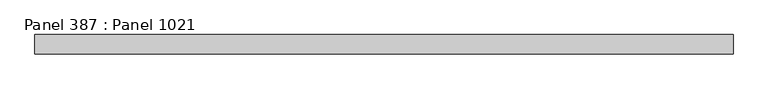
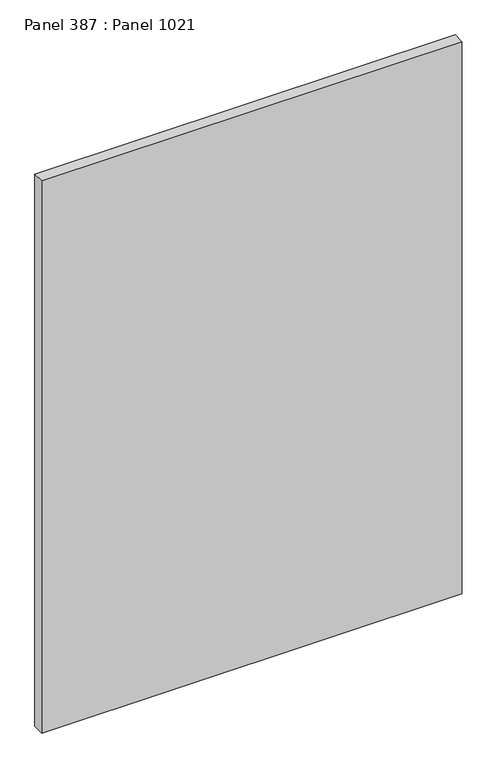
"""IFC4 building model written with IfcOpenShell, lengths in millimetres: proxy geometry, Panel 387 : Panel 1021."""

from ifc_helpers import new_model, si_unit, frame, origin, place, context, project, spatial, polyline, outline, extrude, source, transform, mapped, element, save


def panel_387_panel_1021_ce3f0c7e(model_context):
    return source(origin(), model_context, "Body", "SweptSolid", [
        extrude(outline(polyline([(31867.1822221, 344155.7855015), (31867.1822225, 344105.7854594), (30067.9687558, 344105.7855241), (30067.9687554, 344155.7855662), (31867.1822221, 344155.7855015)])), frame((0.0, 0.0, 34575.0), z_axis=(0.0, 0.0, 1.0), x_axis=(1.0, 0.0, 0.0)), (0.0, 0.0, 1.0), 2500.0),
    ])


if __name__ == "__main__":
    model = new_model("IFC4")
    model_context = context("Model", 3, world=origin())
    ifc_project = project(units=[si_unit("LENGTHUNIT", "METRE", prefix="MILLI")], contexts=[model_context])
    site = spatial("IfcSite", under=ifc_project)
    building = spatial("IfcBuilding", under=site)
    placement = place(None, origin())
    panel_387_panel_1021_shape = panel_387_panel_1021_ce3f0c7e(model_context)
    element("IfcBuildingElementProxy", 1, Name="Panel 387 : Panel 1021", ObjectType="Panel 387 : Panel 1021", at=placement, inside=building, context=model_context, shape_type="MappedRepresentation", body=[
        mapped(panel_387_panel_1021_shape, transform((0.0, 0.0, 0.0), x_axis=(1.0, 0.0, 0.0), y_axis=(0.0, 1.0, 0.0), z_axis=(0.0, 0.0, 1.0))),
    ])
    save(model, "model.ifc")
